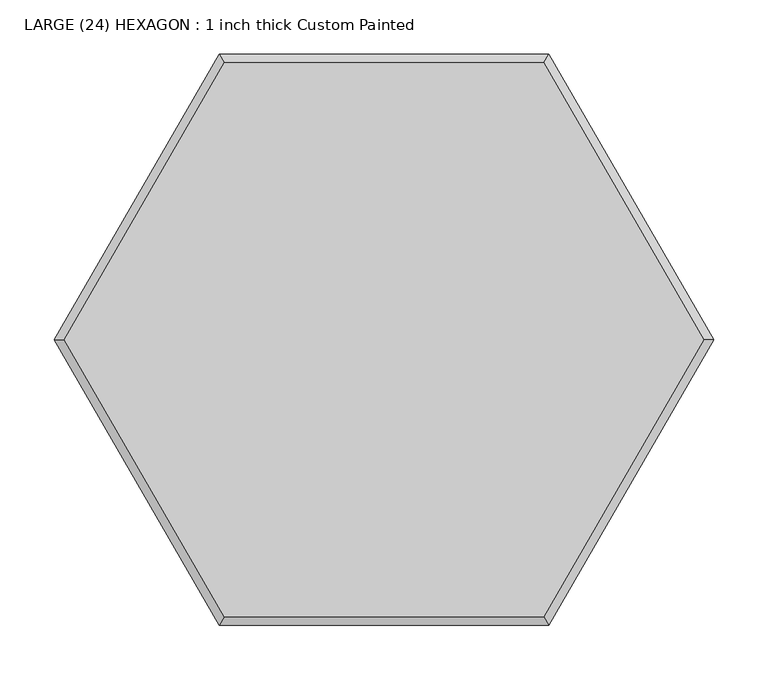
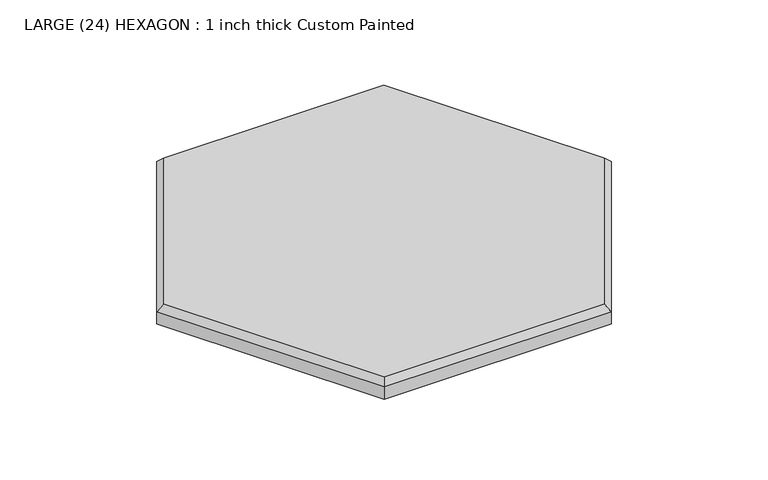
"""IFC4 building model written with IfcOpenShell, lengths in millimetres: proxy geometry, LARGE (24) HEXAGON : 1 inch thick Custom Painted."""

from ifc_helpers import new_model, si_unit, origin, place, context, project, spatial, faceted_brep, source, transform, mapped, element, save


def large_24_hexagon_1_inch_thick_custom_painted_5298797c(model_context):
    return source(origin(), model_context, "Body", "Brep", [
        faceted_brep([(-147.7806205, 255.9635431, 25.4), (-295.561241, 0.0, 25.4), (-147.7806205, -255.9635431, 25.4), (147.7806205, -255.9635431, 25.4), (295.561241, 0.0, 25.4), (147.7806205, 255.9635431, 25.4), (152.4, 263.9645431, 0.0), (304.8, 0.0, 0.0), (152.4, -263.9645431, 0.0), (-152.4, -263.9645431, 0.0), (-304.8, 0.0, 0.0), (-152.4, 263.9645431, 0.0), (-152.4, 263.9645431, 17.399), (152.4, 263.9645431, 17.399), (-304.8, 0.0, 17.399), (-152.4, -263.9645431, 17.399), (152.4, -263.9645431, 17.399), (304.8, 0.0, 17.399)], [[[0, 1, 2, 3, 4, 5]], [[6, 7, 8, 9, 10, 11]], [[6, 11, 12, 13]], [[11, 10, 14, 12]], [[10, 9, 15, 14]], [[9, 8, 16, 15]], [[8, 7, 17, 16]], [[7, 6, 13, 17]], [[14, 1, 0, 12]], [[1, 14, 15, 2]], [[2, 15, 16, 3]], [[3, 16, 17, 4]], [[4, 17, 13, 5]], [[12, 0, 5, 13]]]),
    ])


if __name__ == "__main__":
    model = new_model("IFC4")
    model_context = context("Model", 3, world=origin())
    ifc_project = project(units=[si_unit("LENGTHUNIT", "METRE", prefix="MILLI")], contexts=[model_context])
    site = spatial("IfcSite", under=ifc_project)
    building = spatial("IfcBuilding", under=site)
    placement = place(None, origin())
    large_24_hexagon_1_inch_thick_custom_painted_shape = large_24_hexagon_1_inch_thick_custom_painted_5298797c(model_context)
    element("IfcBuildingElementProxy", 1, Name="LARGE (24) HEXAGON : 1 inch thick Custom Painted", ObjectType="LARGE (24) HEXAGON : 1 inch thick Custom Painted", at=placement, inside=building, context=model_context, shape_type="MappedRepresentation", body=[
        mapped(large_24_hexagon_1_inch_thick_custom_painted_shape, transform((0.0, 0.0, 0.0), x_axis=(1.0, 0.0, 0.0), y_axis=(0.0, 1.0, 0.0), z_axis=(0.0, 0.0, 1.0))),
    ])
    save(model, "model.ifc")
